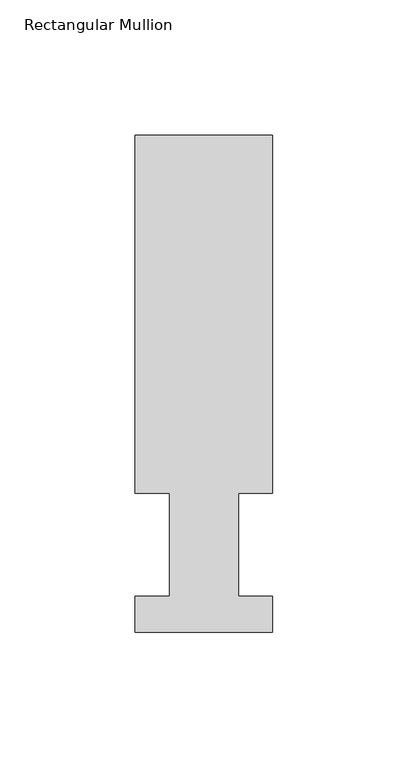
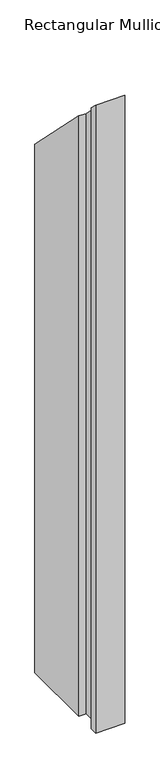
"""IFC4 building model written with IfcOpenShell, lengths in millimetres: member geometry, Rectangular Mullion."""

from ifc_helpers import new_model, si_unit, origin, place, context, project, spatial, faceted_brep, source, transform, mapped, element, save


def rectangular_mullion_e2b61133(model_context):
    return source(origin(), model_context, "Body", "Brep", [
        faceted_brep([(-50.8, 51.2960937, -1155.7), (-50.8, 183.4446738, -1155.7), (0.0, 183.4446738, -1155.7), (0.0, 51.2960938, -1155.7), (-12.7, 51.2960937, -1155.7), (-12.7, 13.1960938, -1155.7), (0.0, 13.1960938, -1155.7), (0.0, 0.0134937, -1155.7), (-50.8, 0.0134937, -1155.7), (-50.8, 13.1960938, -1155.7), (-38.1, 13.1960938, -1155.7), (-38.1, 51.2960938, -1155.7), (-38.1, 51.2960937, -51.2960938), (-50.8, 51.2960937, -51.2960938), (-38.1, 13.1960938, -13.1960938), (-50.8, 13.1960938, -13.1960938), (-50.8, 0.0134937, -0.0134937), (0.0, 0.0134937, -0.0134937), (0.0, 13.1960938, -13.1960938), (-12.7, 13.1960938, -13.1960938), (-12.7, 51.2960937, -51.2960938), (0.0, 51.2960937, -51.2960938), (0.0, 183.4446738, -183.4446738), (-50.8, 183.4446738, -183.4446738)], [[[0, 1, 2, 3, 4, 5, 6, 7, 8, 9, 10, 11]], [[12, 13, 0, 11]], [[14, 12, 11, 10]], [[15, 14, 10, 9]], [[16, 15, 9, 8]], [[17, 16, 8, 7]], [[18, 17, 7, 6]], [[19, 18, 6, 5]], [[20, 19, 5, 4]], [[21, 20, 4, 3]], [[22, 21, 3, 2]], [[23, 22, 2, 1]], [[13, 23, 1, 0]], [[13, 12, 14, 15, 16, 17, 18, 19, 20, 21, 22, 23]]]),
    ])


if __name__ == "__main__":
    model = new_model("IFC4")
    model_context = context("Model", 3, world=origin())
    ifc_project = project(units=[si_unit("LENGTHUNIT", "METRE", prefix="MILLI")], contexts=[model_context])
    site = spatial("IfcSite", under=ifc_project)
    building = spatial("IfcBuilding", under=site)
    placement = place(None, origin())
    rectangular_mullion_shape = rectangular_mullion_e2b61133(model_context)
    element("IfcMember", 1, ObjectType="Rectangular Mullion", at=placement, inside=building, context=model_context, shape_type="MappedRepresentation", body=[
        mapped(rectangular_mullion_shape, transform((0.0, 0.0, 0.0), x_axis=(1.0, 0.0, 0.0), y_axis=(0.0, 1.0, 0.0), z_axis=(0.0, 0.0, 1.0))),
    ])
    save(model, "model.ifc")
